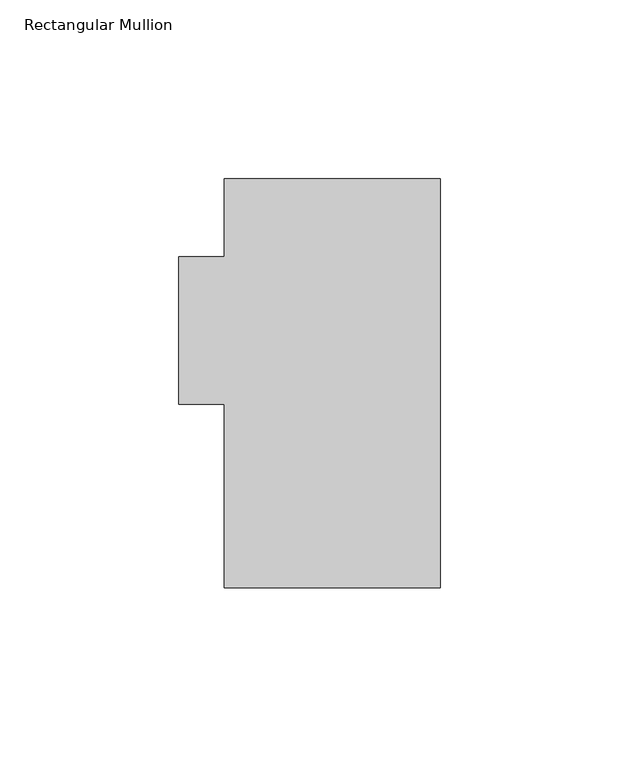
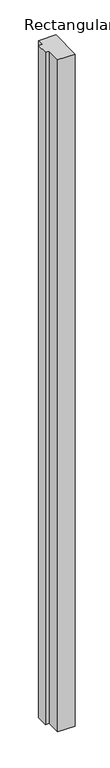
"""IFC4 building model written with IfcOpenShell, lengths in millimetres: member geometry, Rectangular Mullion."""

from ifc_helpers import new_model, si_unit, frame, origin, place, context, project, spatial, polyline, outline, extrude, source, transform, mapped, element, save


def rectangular_mullion_484b7cb6(model_context):
    return source(origin(), model_context, "Body", "SweptSolid", [
        extrude(outline(polyline([(-60.325, 112.0695625), (0.0, 112.0695625), (0.0, -2.2304375), (-60.325, -2.2304375), (-60.325, 48.9759625), (-73.025, 48.9759625), (-73.025, 90.2509625), (-60.325, 90.2509625), (-60.325, 112.0695625)])), frame((0.0, 0.0, -2438.4), z_axis=(0.0, 0.0, 1.0), x_axis=(1.0, 0.0, 0.0)), (0.0, 0.0, 1.0), 2438.4),
    ])


if __name__ == "__main__":
    model = new_model("IFC4")
    model_context = context("Model", 3, world=origin())
    ifc_project = project(units=[si_unit("LENGTHUNIT", "METRE", prefix="MILLI")], contexts=[model_context])
    site = spatial("IfcSite", under=ifc_project)
    building = spatial("IfcBuilding", under=site)
    placement = place(None, origin())
    rectangular_mullion_shape = rectangular_mullion_484b7cb6(model_context)
    element("IfcMember", 1, ObjectType="Rectangular Mullion", at=placement, inside=building, context=model_context, shape_type="MappedRepresentation", body=[
        mapped(rectangular_mullion_shape, transform((0.0, 0.0, 0.0), x_axis=(1.0, 0.0, 0.0), y_axis=(0.0, 1.0, 0.0), z_axis=(0.0, 0.0, 1.0))),
    ])
    save(model, "model.ifc")
